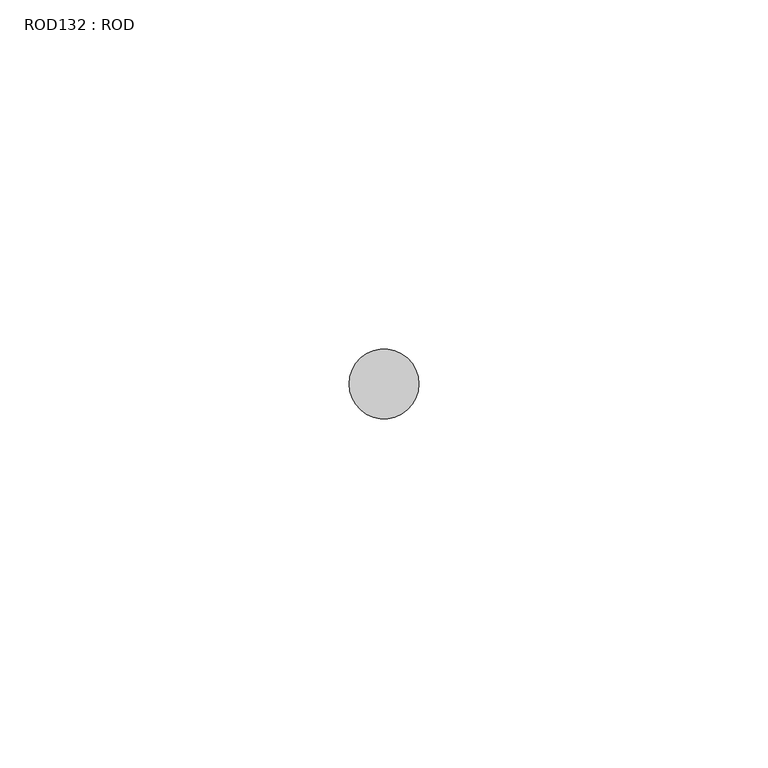
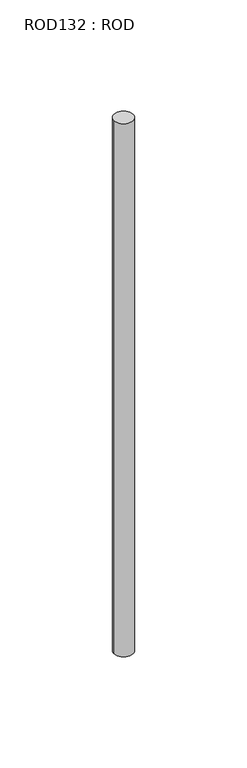
"""IFC4 building model written with IfcOpenShell, lengths in millimetres: proxy geometry, ROD132 : ROD."""

from ifc_helpers import new_model, si_unit, point, frame, frame_2d, origin, place, context, project, spatial, circle_curve, trimmed, segment, composite_curve, outline, extrude, source, transform, mapped, element, save


def rod132_rod_65075e74(model_context):
    return source(origin(), model_context, "Body", "SweptSolid", [
        extrude(outline(composite_curve([segment(trimmed(circle_curve(frame_2d((3679.7673324, -12414.6300853)), 5.0), [point((3674.7673324, -12414.6300853))], [point((3684.7673324, -12414.6300853))], False, "CARTESIAN"), True, "CONTINUOUS"), segment(trimmed(circle_curve(frame_2d((3679.7673324, -12414.6300853)), 5.0), [point((3684.7673324, -12414.6300853))], [point((3674.7673324, -12414.6300853))], False, "CARTESIAN"), True, "CONTINUOUS")], self_intersect=False)), frame((0.0, 0.0, -208.6608845), z_axis=(0.0, 0.0, 1.0), x_axis=(1.0, 0.0, 0.0)), (0.0, 0.0, 1.0), 298.9028972),
    ])


if __name__ == "__main__":
    model = new_model("IFC4")
    model_context = context("Model", 3, world=origin())
    ifc_project = project(units=[si_unit("LENGTHUNIT", "METRE", prefix="MILLI")], contexts=[model_context])
    site = spatial("IfcSite", under=ifc_project)
    building = spatial("IfcBuilding", under=site)
    placement = place(None, origin())
    rod132_rod_shape = rod132_rod_65075e74(model_context)
    element("IfcBuildingElementProxy", 1, Name="ROD132 : ROD", ObjectType="ROD132 : ROD", at=placement, inside=building, context=model_context, shape_type="MappedRepresentation", body=[
        mapped(rod132_rod_shape, transform((0.0, 0.0, 0.0), x_axis=(1.0, 0.0, 0.0), y_axis=(0.0, 1.0, 0.0), z_axis=(0.0, 0.0, 1.0))),
    ])
    save(model, "model.ifc")
